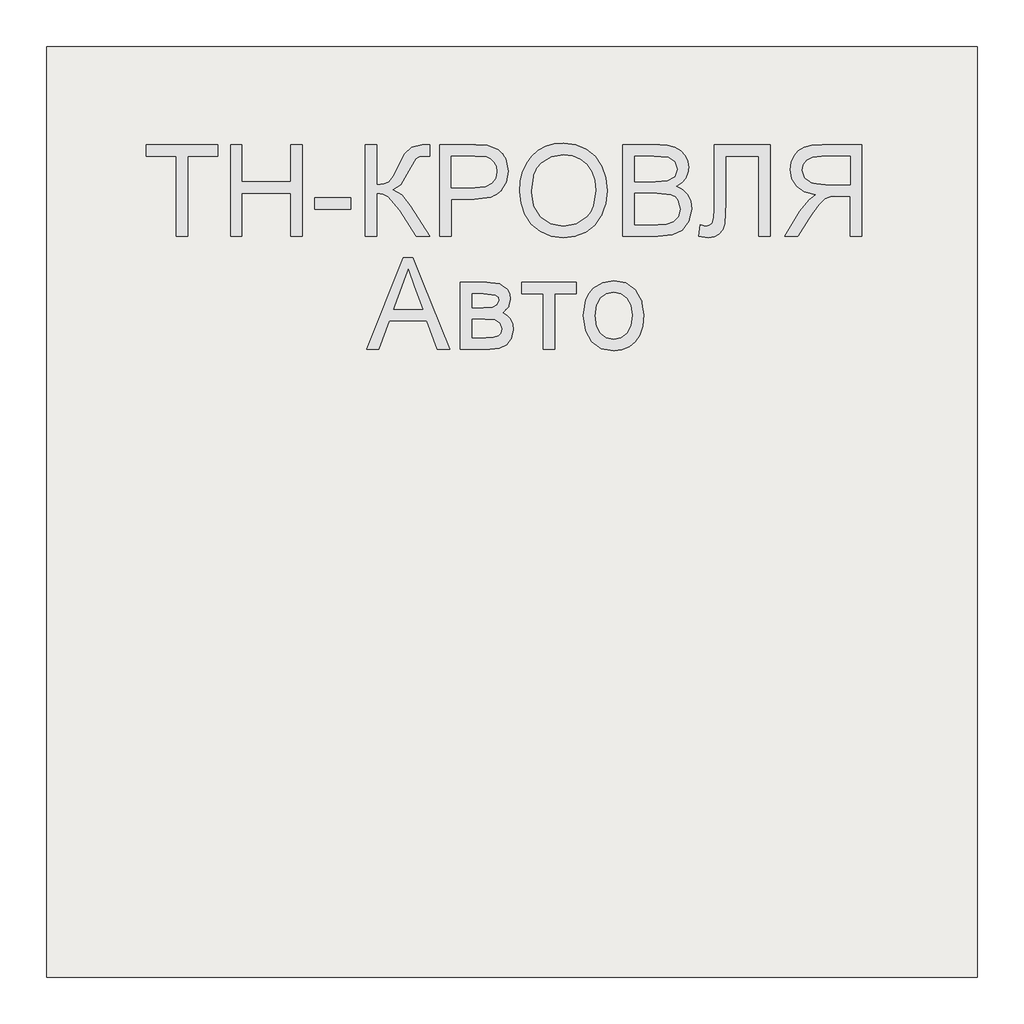
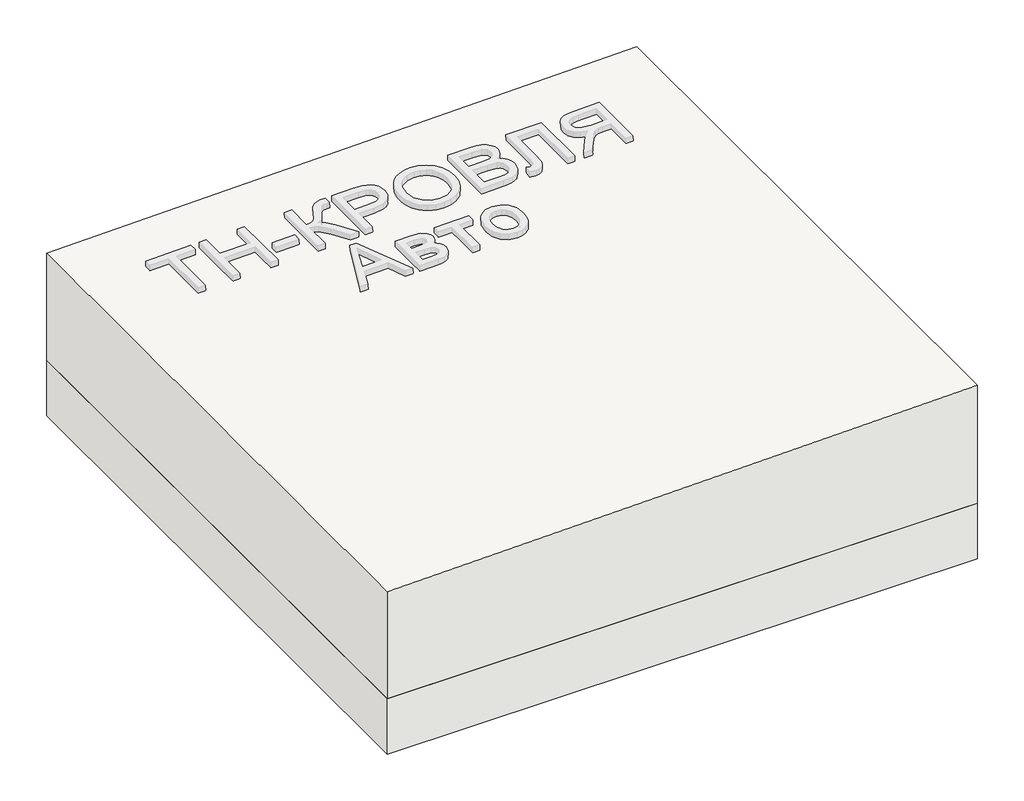
# One storey, part 1 of 3: 1 roof, 1 slab.
"""IFC4 building model written with IfcOpenShell, lengths in millimetres."""

import ifcopenshell
import ifcopenshell.guid

model = None  # the IFC model being written
_history = None  # IfcOwnerHistory: only IFC2X3 demands one
_inside = {}  # id of a spatial element -> (the spatial element, [elements in it])
_under = {}  # id of a project, library or spatial element -> (it, [spatial elements below it])
_declared = {}  # id of a project -> (the project, [libraries it declares])
_typed = {}  # id of a type object -> (the type object, [elements of that type])
_made_of = {}  # id of a material, layer set ... -> (it, [elements and type objects made of it])


def new_model(schema):
    """Start an empty IFC model of exactly this schema.

    Asked for "IFC4X3", IfcOpenShell would pick the latest addendum, in which some entities
    have other attributes; the version numbers below select the first issue.
    IFC2X3 requires an IfcOwnerHistory on every rooted entity: one is made here for all.
    """
    global model, _history
    if schema == "IFC4X3":
        model = ifcopenshell.file(schema_version=(4, 3, 0, 0))
    else:
        model = ifcopenshell.file(schema=schema)
    _inside.clear()
    _under.clear()
    _declared.clear()
    _typed.clear()
    _made_of.clear()
    _history = None
    if model.schema == "IFC2X3":
        org = make("IfcOrganization", Name="unknown")
        user = make(
            "IfcPersonAndOrganization",
            ThePerson=make("IfcPerson", FamilyName="unknown"),
            TheOrganization=org,
        )
        app = make(
            "IfcApplication",
            ApplicationDeveloper=org,
            Version="unknown",
            ApplicationFullName="unknown",
            ApplicationIdentifier="unknown",
        )
        _history = make(
            "IfcOwnerHistory",
            OwningUser=user,
            OwningApplication=app,
            ChangeAction="ADDED",
            CreationDate=0,
        )
    return model


def make(cls, **values):
    """One entity of the class cls with the attributes given. An attribute that is None is left unset."""
    return model.create_entity(
        cls, **{name: value for name, value in values.items() if value is not None}
    )


def rooted(cls, **values):
    """An entity with a GlobalId (a new one), such as an element, a storey or a relation."""
    return make(cls, GlobalId=ifcopenshell.guid.new(), OwnerHistory=_history, **values)


def si_unit(unit_type, name, prefix=None):
    """IfcSIUnit, for example si_unit("LENGTHUNIT", "METRE", prefix="MILLI")."""
    return make("IfcSIUnit", UnitType=unit_type, Prefix=prefix, Name=name)


def assignment(units):
    """IfcUnitAssignment: the units of a project."""
    return None if units is None else make("IfcUnitAssignment", Units=units)


def point(xyz):
    """IfcCartesianPoint."""
    return None if xyz is None else make("IfcCartesianPoint", Coordinates=xyz)


def direction(xyz):
    """IfcDirection."""
    return None if xyz is None else make("IfcDirection", DirectionRatios=xyz)


def frame(location, z_axis=None, x_axis=None):
    """IfcAxis2Placement3D, a coordinate frame: its origin and axes. An axis left out is left unset."""
    return make(
        "IfcAxis2Placement3D",
        Location=point(location),
        Axis=direction(z_axis),
        RefDirection=direction(x_axis),
    )


def origin():
    """The frame at (0, 0, 0) with its axes left unset."""
    return frame((0.0, 0.0, 0.0))


def place(relative_to, where):
    """IfcLocalPlacement: puts the frame where relative to a parent placement (None: the world)."""
    return make(
        "IfcLocalPlacement", PlacementRelTo=relative_to, RelativePlacement=where
    )


def context(
    kind, dimensions, precision=None, world=None, true_north=None, identifier=None
):
    """IfcGeometricRepresentationContext, for example the 3D "Model" context."""
    return make(
        "IfcGeometricRepresentationContext",
        ContextIdentifier=identifier,
        ContextType=kind,
        CoordinateSpaceDimension=dimensions,
        Precision=precision,
        WorldCoordinateSystem=world,
        TrueNorth=true_north,
    )


def project(units=None, contexts=None):
    """IfcProject with its units and contexts."""
    return rooted(
        "IfcProject",
        Name="project",
        RepresentationContexts=contexts,
        UnitsInContext=assignment(units),
    )


def spatial(cls, under=None, at=None, **own):
    """A site, building, storey or space (cls), placed at a placement, below another one or the project."""
    s = rooted(cls, ObjectPlacement=at, **own)
    if under is not None:
        _under.setdefault(under.id(), (under, []))[1].append(s)
    return s


def polyline(points):
    """IfcPolyline through the points."""
    return make("IfcPolyline", Points=[point(p) for p in points])


def outline(outer, holes=None, kind="AREA"):
    """IfcArbitraryClosedProfileDef: a profile drawn as a closed curve; with holes, ...WithVoids."""
    if holes is None:
        return make("IfcArbitraryClosedProfileDef", ProfileType=kind, OuterCurve=outer)
    return make(
        "IfcArbitraryProfileDefWithVoids",
        ProfileType=kind,
        OuterCurve=outer,
        InnerCurves=holes,
    )


def extrude(swept, where, along, depth):
    """IfcExtrudedAreaSolid: the profile swept, set in the frame where, extruded along a direction by depth."""
    return make(
        "IfcExtrudedAreaSolid",
        SweptArea=swept,
        Position=where,
        ExtrudedDirection=direction(along),
        Depth=depth,
    )


def shape(context_of_items, identifier, shape_type, items):
    """IfcShapeRepresentation: the items that make up one representation, for example the "Body"."""
    return make(
        "IfcShapeRepresentation",
        ContextOfItems=context_of_items,
        RepresentationIdentifier=identifier,
        RepresentationType=shape_type,
        Items=items,
    )


def made_of(thing, what):
    """Note that an element or type object is made of a material, layer set ...; save() writes the relation."""
    if what is not None:
        _made_of.setdefault(what.id(), (what, []))[1].append(thing)
    return thing


def element(
    cls,
    number,
    at=None,
    inside=None,
    cuts=None,
    type_object=None,
    material=None,
    context=None,
    identifier="Body",
    shape_type=None,
    held_by="IfcProductDefinitionShape",
    body=None,
    shapes=None,
    **own,
):
    """One element of the class cls, such as IfcWall. Its Tag is "e" and its number.

    at: its placement. inside: the storey or other place that contains it. cuts: it is an
    opening in that element (IfcRelVoidsElement). A single representation is given by context,
    identifier, shape_type and body (its items); several are given by shapes. held_by: the class
    of the entity that holds the representations. save() writes the other relations.
    """
    e = rooted(cls, Tag="e%d" % number, ObjectPlacement=at, **own)
    if body is not None:
        shapes = [shape(context, identifier, shape_type, body)]
    if shapes is not None:
        e.Representation = make(held_by, Representations=shapes)
    if inside is not None:
        _inside.setdefault(inside.id(), (inside, []))[1].append(e)
    if cuts is not None:
        rooted(
            "IfcRelVoidsElement", RelatingBuildingElement=cuts, RelatedOpeningElement=e
        )
    if type_object is not None:
        _typed.setdefault(type_object.id(), (type_object, []))[1].append(e)
    return made_of(e, material)


def aggregate(whole, parts):
    """IfcRelAggregates: a whole, such as a stair, and the parts it consists of."""
    return rooted("IfcRelAggregates", RelatingObject=whole, RelatedObjects=parts)


def save(model, path):
    """Write the relations noted so far, then the file.

    IfcRelAggregates (storeys below a building ...), IfcRelContainedInSpatialStructure (elements
    in a storey), IfcRelDefinesByType, IfcRelAssociatesMaterial and IfcRelDeclares: one each for
    every whole, place, type object, material and project.
    """
    for whole, parts in _under.values():
        aggregate(whole, parts)
    for where, things in _inside.values():
        rooted(
            "IfcRelContainedInSpatialStructure",
            RelatedElements=things,
            RelatingStructure=where,
        )
    for kind, things in _typed.values():
        rooted("IfcRelDefinesByType", RelatedObjects=things, RelatingType=kind)
    for what, things in _made_of.values():
        rooted("IfcRelAssociatesMaterial", RelatedObjects=things, RelatingMaterial=what)
    for by, libraries in _declared.values():
        rooted("IfcRelDeclares", RelatingContext=by, RelatedDefinitions=libraries)
    model.write(path)


model = new_model("IFC4")

# Units and contexts
model_context = context("Model", 3, world=origin())
ifc_project = project(units=[si_unit("LENGTHUNIT", "METRE", prefix="MILLI")], contexts=[model_context])

# Site, building, storey
site = spatial("IfcSite", under=ifc_project)
building = spatial("IfcBuilding", under=site)
storey = spatial("IfcBuildingStorey", under=building, Elevation=0.0)

# Roof
placement = place(None, origin())
element("IfcRoof", 1, at=placement, inside=storey, context=model_context, shape_type="SweptSolid", body=[
    extrude(outline(polyline([(383.0, 30706.3955952), (0.0, 30706.3955952), (0.0, 32706.3955952), (423.0, 32706.3955952), (383.0, 30706.3955952)])), frame((0.0, -6302.6148653, 0.0), z_axis=(0.0, 1.0, 0.0), x_axis=(0.0, 0.0, 1.0)), (0.0, 0.0, 1.0), 2000.0),
])

# Slab
element("IfcSlab", 2, at=placement, inside=storey, context=model_context, shape_type="SweptSolid", body=[
    extrude(outline(polyline([(32706.3955952, -6302.6148653), (30706.3955952, -6302.6148653), (30706.3955952, -4302.6148653), (32706.3955952, -4302.6148653), (32706.3955952, -6302.6148653)])), frame((0.0, 0.0, -200.0), z_axis=(0.0, 0.0, 1.0), x_axis=(1.0, 0.0, 0.0)), (0.0, 0.0, 1.0), 200.0),
])

save(model, "model.ifc")
